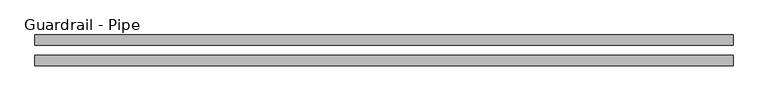
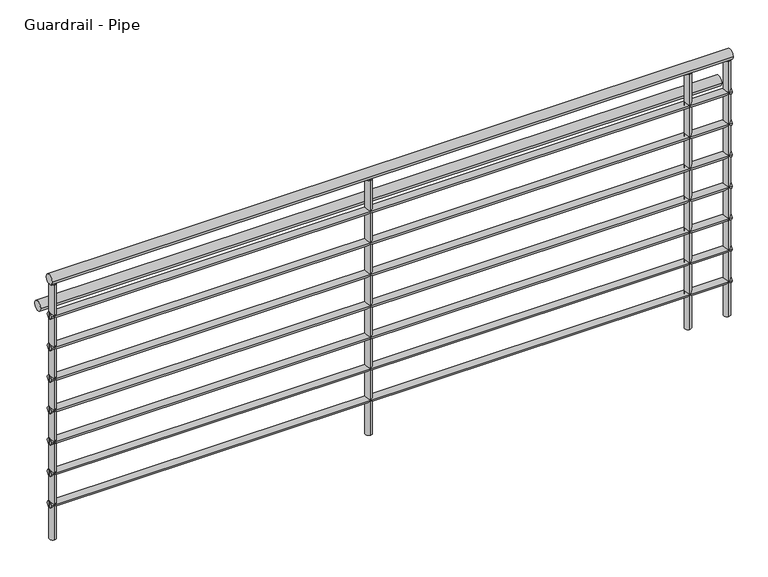
"""IFC4 building model written with IfcOpenShell, lengths in millimetres: railing geometry, Guardrail - Pipe."""

from ifc_helpers import new_model, si_unit, point, frame, frame_2d, origin, origin_with_axes, place, context, project, spatial, circle_curve, trimmed, segment, composite_curve, outline, extrude, source, transform, mapped, element, save


def guardrail_pipe_cfbc7ec7(model_context):
    return source(origin(), model_context, "Body", "SweptSolid", [
        extrude(outline(composite_curve([segment(trimmed(circle_curve(frame_2d((9191.8058469, 1047.75)), 19.05), [point((9210.8558469, 1047.75))], [point((9172.7558469, 1047.75))], False, "CARTESIAN"), True, "CONTINUOUS"), segment(trimmed(circle_curve(frame_2d((9191.8058469, 1047.75)), 19.05), [point((9172.7558469, 1047.75))], [point((9210.8558469, 1047.75))], False, "CARTESIAN"), True, "CONTINUOUS")], self_intersect=False)), frame((-3583.3965986, 0.0, 0.0), z_axis=(1.0, 0.0, 0.0), x_axis=(0.0, 1.0, 0.0)), (0.0, 0.0, 1.0), 2600.0),
        extrude(outline(composite_curve([segment(trimmed(circle_curve(frame_2d((9191.8058469, 901.7)), 12.7), [point((9204.5058469, 901.7))], [point((9179.1058469, 901.7))], False, "CARTESIAN"), True, "CONTINUOUS"), segment(trimmed(circle_curve(frame_2d((9191.8058469, 901.7)), 12.7), [point((9179.1058469, 901.7))], [point((9204.5058469, 901.7))], False, "CARTESIAN"), True, "CONTINUOUS")], self_intersect=False)), frame((-3583.3965986, 0.0, 0.0), z_axis=(1.0, 0.0, 0.0), x_axis=(0.0, 1.0, 0.0)), (0.0, 0.0, 1.0), 2600.0),
        extrude(outline(composite_curve([segment(trimmed(circle_curve(frame_2d((9268.0058469, 895.35)), 19.05), [point((9287.0558469, 895.35))], [point((9248.9558469, 895.35))], False, "CARTESIAN"), True, "CONTINUOUS"), segment(trimmed(circle_curve(frame_2d((9268.0058469, 895.35)), 19.05), [point((9248.9558469, 895.35))], [point((9287.0558469, 895.35))], False, "CARTESIAN"), True, "CONTINUOUS")], self_intersect=False)), frame((-3583.3965986, 0.0, 0.0), z_axis=(1.0, 0.0, 0.0), x_axis=(0.0, 1.0, 0.0)), (0.0, 0.0, 1.0), 2600.0),
        extrude(outline(composite_curve([segment(trimmed(circle_curve(frame_2d((9191.8058469, 774.7)), 12.7), [point((9204.5058469, 774.7))], [point((9179.1058469, 774.7))], False, "CARTESIAN"), True, "CONTINUOUS"), segment(trimmed(circle_curve(frame_2d((9191.8058469, 774.7)), 12.7), [point((9179.1058469, 774.7))], [point((9204.5058469, 774.7))], False, "CARTESIAN"), True, "CONTINUOUS")], self_intersect=False)), frame((-3583.3965986, 0.0, 0.0), z_axis=(1.0, 0.0, 0.0), x_axis=(0.0, 1.0, 0.0)), (0.0, 0.0, 1.0), 2600.0),
        extrude(outline(composite_curve([segment(trimmed(circle_curve(frame_2d((9191.8058469, 647.7)), 12.7), [point((9204.5058469, 647.7))], [point((9179.1058469, 647.7))], False, "CARTESIAN"), True, "CONTINUOUS"), segment(trimmed(circle_curve(frame_2d((9191.8058469, 647.7)), 12.7), [point((9179.1058469, 647.7))], [point((9204.5058469, 647.7))], False, "CARTESIAN"), True, "CONTINUOUS")], self_intersect=False)), frame((-3583.3965986, 0.0, 0.0), z_axis=(1.0, 0.0, 0.0), x_axis=(0.0, 1.0, 0.0)), (0.0, 0.0, 1.0), 2600.0),
        extrude(outline(composite_curve([segment(trimmed(circle_curve(frame_2d((9191.8058469, 520.7)), 12.7), [point((9204.5058469, 520.7))], [point((9179.1058469, 520.7))], False, "CARTESIAN"), True, "CONTINUOUS"), segment(trimmed(circle_curve(frame_2d((9191.8058469, 520.7)), 12.7), [point((9179.1058469, 520.7))], [point((9204.5058469, 520.7))], False, "CARTESIAN"), True, "CONTINUOUS")], self_intersect=False)), frame((-3583.3965986, 0.0, 0.0), z_axis=(1.0, 0.0, 0.0), x_axis=(0.0, 1.0, 0.0)), (0.0, 0.0, 1.0), 2600.0),
        extrude(outline(composite_curve([segment(trimmed(circle_curve(frame_2d((9191.8058469, 393.7)), 12.7), [point((9204.5058469, 393.7))], [point((9179.1058469, 393.7))], False, "CARTESIAN"), True, "CONTINUOUS"), segment(trimmed(circle_curve(frame_2d((9191.8058469, 393.7)), 12.7), [point((9179.1058469, 393.7))], [point((9204.5058469, 393.7))], False, "CARTESIAN"), True, "CONTINUOUS")], self_intersect=False)), frame((-3583.3965986, 0.0, 0.0), z_axis=(1.0, 0.0, 0.0), x_axis=(0.0, 1.0, 0.0)), (0.0, 0.0, 1.0), 2600.0),
        extrude(outline(composite_curve([segment(trimmed(circle_curve(frame_2d((9191.8058469, 266.7)), 12.7), [point((9204.5058469, 266.7))], [point((9179.1058469, 266.7))], False, "CARTESIAN"), True, "CONTINUOUS"), segment(trimmed(circle_curve(frame_2d((9191.8058469, 266.7)), 12.7), [point((9179.1058469, 266.7))], [point((9204.5058469, 266.7))], False, "CARTESIAN"), True, "CONTINUOUS")], self_intersect=False)), frame((-3583.3965986, 0.0, 0.0), z_axis=(1.0, 0.0, 0.0), x_axis=(0.0, 1.0, 0.0)), (0.0, 0.0, 1.0), 2600.0),
        extrude(outline(composite_curve([segment(trimmed(circle_curve(frame_2d((9191.8058469, 139.7)), 12.7), [point((9204.5058469, 139.7))], [point((9179.1058469, 139.7))], False, "CARTESIAN"), True, "CONTINUOUS"), segment(trimmed(circle_curve(frame_2d((9191.8058469, 139.7)), 12.7), [point((9179.1058469, 139.7))], [point((9204.5058469, 139.7))], False, "CARTESIAN"), True, "CONTINUOUS")], self_intersect=False)), frame((-3583.3965986, 0.0, 0.0), z_axis=(1.0, 0.0, 0.0), x_axis=(0.0, 1.0, 0.0)), (0.0, 0.0, 1.0), 2600.0),
        extrude(outline(composite_curve([segment(trimmed(circle_curve(frame_2d((-1144.9965986, 9191.8058469)), 12.7), [point((-1144.9965986, 9204.5058469))], [point((-1144.9965986, 9179.1058469))], False, "CARTESIAN"), True, "CONTINUOUS"), segment(trimmed(circle_curve(frame_2d((-1144.9965986, 9191.8058469)), 12.7), [point((-1144.9965986, 9179.1058469))], [point((-1144.9965986, 9204.5058469))], False, "CARTESIAN"), True, "CONTINUOUS")], self_intersect=False)), origin_with_axes(), (0.0, 0.0, 1.0), 1028.7),
        extrude(outline(composite_curve([segment(trimmed(circle_curve(frame_2d((-2364.1965986, 9191.8058469)), 12.7), [point((-2364.1965986, 9204.5058469))], [point((-2364.1965986, 9179.1058469))], False, "CARTESIAN"), True, "CONTINUOUS"), segment(trimmed(circle_curve(frame_2d((-2364.1965986, 9191.8058469)), 12.7), [point((-2364.1965986, 9179.1058469))], [point((-2364.1965986, 9204.5058469))], False, "CARTESIAN"), True, "CONTINUOUS")], self_intersect=False)), origin_with_axes(), (0.0, 0.0, 1.0), 1028.7),
        extrude(outline(composite_curve([segment(trimmed(circle_curve(frame_2d((-996.0965986, 9191.8058469)), 12.7), [point((-996.0965986, 9204.5058469))], [point((-996.0965986, 9179.1058469))], False, "CARTESIAN"), True, "CONTINUOUS"), segment(trimmed(circle_curve(frame_2d((-996.0965986, 9191.8058469)), 12.7), [point((-996.0965986, 9179.1058469))], [point((-996.0965986, 9204.5058469))], False, "CARTESIAN"), True, "CONTINUOUS")], self_intersect=False)), origin_with_axes(), (0.0, 0.0, 1.0), 1028.7),
        extrude(outline(composite_curve([segment(trimmed(circle_curve(frame_2d((-3570.6965986, 9191.8058469)), 12.7), [point((-3570.6965986, 9204.5058469))], [point((-3570.6965986, 9179.1058469))], False, "CARTESIAN"), True, "CONTINUOUS"), segment(trimmed(circle_curve(frame_2d((-3570.6965986, 9191.8058469)), 12.7), [point((-3570.6965986, 9179.1058469))], [point((-3570.6965986, 9204.5058469))], False, "CARTESIAN"), True, "CONTINUOUS")], self_intersect=False)), origin_with_axes(), (0.0, 0.0, 1.0), 1028.7),
    ])


if __name__ == "__main__":
    model = new_model("IFC4")
    model_context = context("Model", 3, world=origin())
    ifc_project = project(units=[si_unit("LENGTHUNIT", "METRE", prefix="MILLI")], contexts=[model_context])
    site = spatial("IfcSite", under=ifc_project)
    building = spatial("IfcBuilding", under=site)
    placement = place(None, origin())
    guardrail_pipe_shape = guardrail_pipe_cfbc7ec7(model_context)
    element("IfcRailing", 1, ObjectType="Guardrail - Pipe", at=placement, inside=building, context=model_context, shape_type="MappedRepresentation", body=[
        mapped(guardrail_pipe_shape, transform((0.0, 0.0, 0.0), x_axis=(1.0, 0.0, 0.0), y_axis=(0.0, 1.0, 0.0), z_axis=(0.0, 0.0, 1.0))),
    ])
    save(model, "model.ifc")
